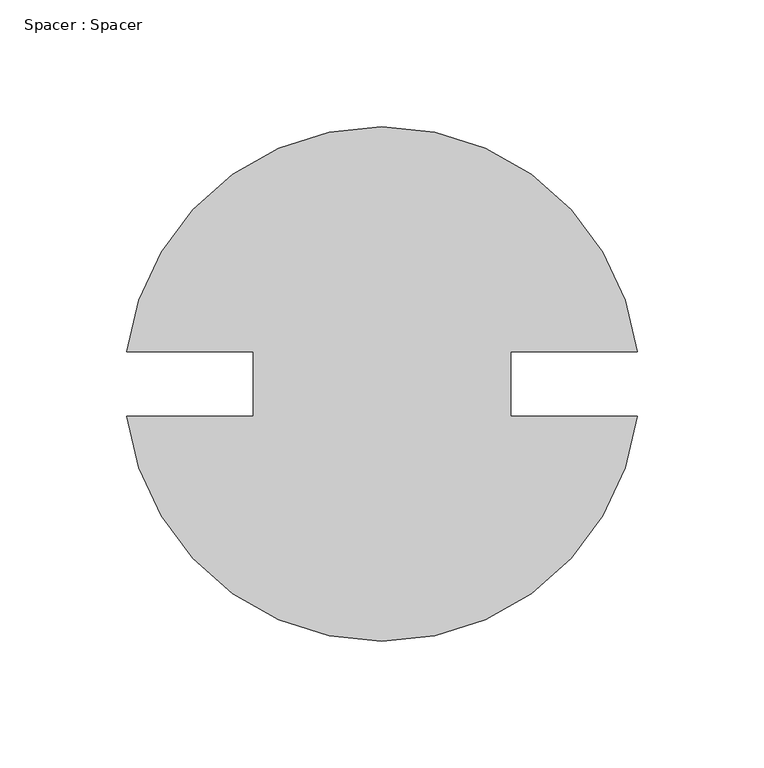
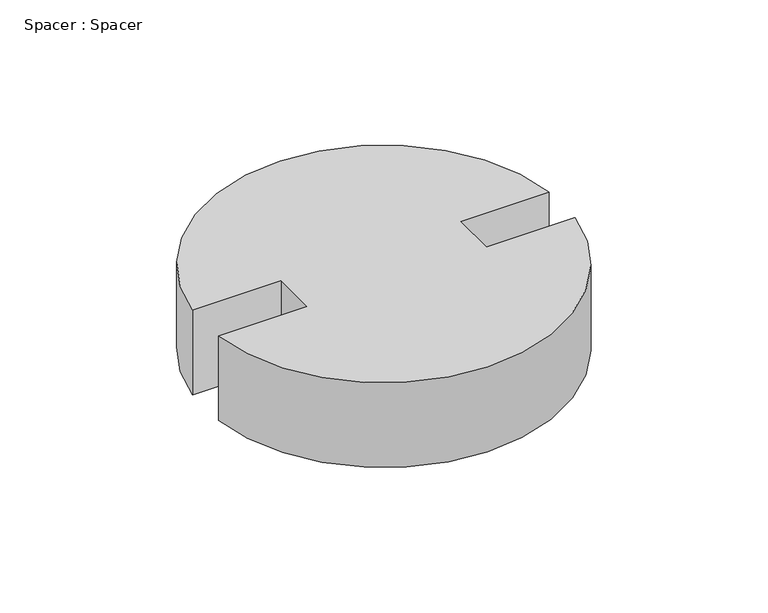
"""IFC4 building model written with IfcOpenShell, lengths in millimetres: furniture geometry, Spacer : Spacer."""

import ifcopenshell
import ifcopenshell.guid

model = None  # the IFC model being written
_history = None  # IfcOwnerHistory: only IFC2X3 demands one
_inside = {}  # id of a spatial element -> (the spatial element, [elements in it])
_under = {}  # id of a project, library or spatial element -> (it, [spatial elements below it])
_declared = {}  # id of a project -> (the project, [libraries it declares])
_typed = {}  # id of a type object -> (the type object, [elements of that type])
_made_of = {}  # id of a material, layer set ... -> (it, [elements and type objects made of it])


def new_model(schema):
    """Start an empty IFC model of exactly this schema.

    Asked for "IFC4X3", IfcOpenShell would pick the latest addendum, in which some entities
    have other attributes; the version numbers below select the first issue.
    IFC2X3 requires an IfcOwnerHistory on every rooted entity: one is made here for all.
    """
    global model, _history
    if schema == "IFC4X3":
        model = ifcopenshell.file(schema_version=(4, 3, 0, 0))
    else:
        model = ifcopenshell.file(schema=schema)
    _inside.clear()
    _under.clear()
    _declared.clear()
    _typed.clear()
    _made_of.clear()
    _history = None
    if model.schema == "IFC2X3":
        org = make("IfcOrganization", Name="unknown")
        user = make(
            "IfcPersonAndOrganization",
            ThePerson=make("IfcPerson", FamilyName="unknown"),
            TheOrganization=org,
        )
        app = make(
            "IfcApplication",
            ApplicationDeveloper=org,
            Version="unknown",
            ApplicationFullName="unknown",
            ApplicationIdentifier="unknown",
        )
        _history = make(
            "IfcOwnerHistory",
            OwningUser=user,
            OwningApplication=app,
            ChangeAction="ADDED",
            CreationDate=0,
        )
    return model


def make(cls, **values):
    """One entity of the class cls with the attributes given. An attribute that is None is left unset."""
    return model.create_entity(
        cls, **{name: value for name, value in values.items() if value is not None}
    )


def rooted(cls, **values):
    """An entity with a GlobalId (a new one), such as an element, a storey or a relation."""
    return make(cls, GlobalId=ifcopenshell.guid.new(), OwnerHistory=_history, **values)


def si_unit(unit_type, name, prefix=None):
    """IfcSIUnit, for example si_unit("LENGTHUNIT", "METRE", prefix="MILLI")."""
    return make("IfcSIUnit", UnitType=unit_type, Prefix=prefix, Name=name)


def assignment(units):
    """IfcUnitAssignment: the units of a project."""
    return None if units is None else make("IfcUnitAssignment", Units=units)


def point(xyz):
    """IfcCartesianPoint."""
    return None if xyz is None else make("IfcCartesianPoint", Coordinates=xyz)


def direction(xyz):
    """IfcDirection."""
    return None if xyz is None else make("IfcDirection", DirectionRatios=xyz)


def frame(location, z_axis=None, x_axis=None):
    """IfcAxis2Placement3D, a coordinate frame: its origin and axes. An axis left out is left unset."""
    return make(
        "IfcAxis2Placement3D",
        Location=point(location),
        Axis=direction(z_axis),
        RefDirection=direction(x_axis),
    )


def frame_2d(location, x_axis=None):
    """IfcAxis2Placement2D, a coordinate frame in the plane: its origin and x axis."""
    return make(
        "IfcAxis2Placement2D", Location=point(location), RefDirection=direction(x_axis)
    )


def origin():
    """The frame at (0, 0, 0) with its axes left unset."""
    return frame((0.0, 0.0, 0.0))


def origin_with_axes():
    """The frame at (0, 0, 0) with the z axis (0, 0, 1) and the x axis (1, 0, 0) written out."""
    return frame((0.0, 0.0, 0.0), z_axis=(0.0, 0.0, 1.0), x_axis=(1.0, 0.0, 0.0))


def origin_2d():
    """The frame at (0, 0) in the plane with its x axis left unset."""
    return frame_2d((0.0, 0.0))


def place(relative_to, where):
    """IfcLocalPlacement: puts the frame where relative to a parent placement (None: the world)."""
    return make(
        "IfcLocalPlacement", PlacementRelTo=relative_to, RelativePlacement=where
    )


def context(
    kind, dimensions, precision=None, world=None, true_north=None, identifier=None
):
    """IfcGeometricRepresentationContext, for example the 3D "Model" context."""
    return make(
        "IfcGeometricRepresentationContext",
        ContextIdentifier=identifier,
        ContextType=kind,
        CoordinateSpaceDimension=dimensions,
        Precision=precision,
        WorldCoordinateSystem=world,
        TrueNorth=true_north,
    )


def project(units=None, contexts=None):
    """IfcProject with its units and contexts."""
    return rooted(
        "IfcProject",
        Name="project",
        RepresentationContexts=contexts,
        UnitsInContext=assignment(units),
    )


def spatial(cls, under=None, at=None, **own):
    """A site, building, storey or space (cls), placed at a placement, below another one or the project."""
    s = rooted(cls, ObjectPlacement=at, **own)
    if under is not None:
        _under.setdefault(under.id(), (under, []))[1].append(s)
    return s


def polyline(points):
    """IfcPolyline through the points."""
    return make("IfcPolyline", Points=[point(p) for p in points])


def circle_curve(where, radius):
    """IfcCircle in the frame where."""
    return make("IfcCircle", Position=where, Radius=radius)


def trimmed(basis, trim1, trim2, sense, master):
    """IfcTrimmedCurve: the piece of a basis curve between two trims."""
    return make(
        "IfcTrimmedCurve",
        BasisCurve=basis,
        Trim1=trim1,
        Trim2=trim2,
        SenseAgreement=sense,
        MasterRepresentation=master,
    )


def segment(curve, same_sense, transition):
    """IfcCompositeCurveSegment."""
    return make(
        "IfcCompositeCurveSegment",
        Transition=transition,
        SameSense=same_sense,
        ParentCurve=curve,
    )


def composite_curve(segments, self_intersect=None):
    """IfcCompositeCurve: segments joined end to end."""
    return make("IfcCompositeCurve", Segments=segments, SelfIntersect=self_intersect)


def outline(outer, holes=None, kind="AREA"):
    """IfcArbitraryClosedProfileDef: a profile drawn as a closed curve; with holes, ...WithVoids."""
    if holes is None:
        return make("IfcArbitraryClosedProfileDef", ProfileType=kind, OuterCurve=outer)
    return make(
        "IfcArbitraryProfileDefWithVoids",
        ProfileType=kind,
        OuterCurve=outer,
        InnerCurves=holes,
    )


def extrude(swept, where, along, depth):
    """IfcExtrudedAreaSolid: the profile swept, set in the frame where, extruded along a direction by depth."""
    return make(
        "IfcExtrudedAreaSolid",
        SweptArea=swept,
        Position=where,
        ExtrudedDirection=direction(along),
        Depth=depth,
    )


def shape(context_of_items, identifier, shape_type, items):
    """IfcShapeRepresentation: the items that make up one representation, for example the "Body"."""
    return make(
        "IfcShapeRepresentation",
        ContextOfItems=context_of_items,
        RepresentationIdentifier=identifier,
        RepresentationType=shape_type,
        Items=items,
    )


def source(mapping_origin, context_of_items, identifier, shape_type, items):
    """IfcRepresentationMap: a shape defined once, which mapped items show again and again."""
    return make(
        "IfcRepresentationMap",
        MappingOrigin=mapping_origin,
        MappedRepresentation=shape(context_of_items, identifier, shape_type, items),
    )


def transform(
    local_origin,
    x_axis=None,
    y_axis=None,
    z_axis=None,
    scale=None,
    scale2=None,
    scale3=None,
    uniform=True,
):
    """IfcCartesianTransformationOperator3D, or its non-uniform kind. x_axis, y_axis, z_axis: its Axis1, 2, 3."""
    if uniform:
        return make(
            "IfcCartesianTransformationOperator3D",
            Axis1=direction(x_axis),
            Axis2=direction(y_axis),
            LocalOrigin=point(local_origin),
            Scale=scale,
            Axis3=direction(z_axis),
        )
    return make(
        "IfcCartesianTransformationOperator3DnonUniform",
        Axis1=direction(x_axis),
        Axis2=direction(y_axis),
        LocalOrigin=point(local_origin),
        Scale=scale,
        Axis3=direction(z_axis),
        Scale2=scale2,
        Scale3=scale3,
    )


def mapped(mapping_source, mapping_target):
    """IfcMappedItem: shows the shape of a source again, moved by a transform."""
    return make(
        "IfcMappedItem", MappingSource=mapping_source, MappingTarget=mapping_target
    )


def made_of(thing, what):
    """Note that an element or type object is made of a material, layer set ...; save() writes the relation."""
    if what is not None:
        _made_of.setdefault(what.id(), (what, []))[1].append(thing)
    return thing


def element(
    cls,
    number,
    at=None,
    inside=None,
    cuts=None,
    type_object=None,
    material=None,
    context=None,
    identifier="Body",
    shape_type=None,
    held_by="IfcProductDefinitionShape",
    body=None,
    shapes=None,
    **own,
):
    """One element of the class cls, such as IfcWall. Its Tag is "e" and its number.

    at: its placement. inside: the storey or other place that contains it. cuts: it is an
    opening in that element (IfcRelVoidsElement). A single representation is given by context,
    identifier, shape_type and body (its items); several are given by shapes. held_by: the class
    of the entity that holds the representations. save() writes the other relations.
    """
    e = rooted(cls, Tag="e%d" % number, ObjectPlacement=at, **own)
    if body is not None:
        shapes = [shape(context, identifier, shape_type, body)]
    if shapes is not None:
        e.Representation = make(held_by, Representations=shapes)
    if inside is not None:
        _inside.setdefault(inside.id(), (inside, []))[1].append(e)
    if cuts is not None:
        rooted(
            "IfcRelVoidsElement", RelatingBuildingElement=cuts, RelatedOpeningElement=e
        )
    if type_object is not None:
        _typed.setdefault(type_object.id(), (type_object, []))[1].append(e)
    return made_of(e, material)


def aggregate(whole, parts):
    """IfcRelAggregates: a whole, such as a stair, and the parts it consists of."""
    return rooted("IfcRelAggregates", RelatingObject=whole, RelatedObjects=parts)


def save(model, path):
    """Write the relations noted so far, then the file.

    IfcRelAggregates (storeys below a building ...), IfcRelContainedInSpatialStructure (elements
    in a storey), IfcRelDefinesByType, IfcRelAssociatesMaterial and IfcRelDeclares: one each for
    every whole, place, type object, material and project.
    """
    for whole, parts in _under.values():
        aggregate(whole, parts)
    for where, things in _inside.values():
        rooted(
            "IfcRelContainedInSpatialStructure",
            RelatedElements=things,
            RelatingStructure=where,
        )
    for kind, things in _typed.values():
        rooted("IfcRelDefinesByType", RelatedObjects=things, RelatingType=kind)
    for what, things in _made_of.values():
        rooted("IfcRelAssociatesMaterial", RelatedObjects=things, RelatingMaterial=what)
    for by, libraries in _declared.values():
        rooted("IfcRelDeclares", RelatingContext=by, RelatedDefinitions=libraries)
    model.write(path)


def spacer_spacer_4aab492f(model_context):
    return source(origin(), model_context, "Body", "SweptSolid", [
        extrude(outline(composite_curve([segment(trimmed(circle_curve(origin_2d(), 101.6), [point((100.803125, -12.7))], [point((-100.803125, -12.7))], False, "CARTESIAN"), True, "CONTINUOUS"), segment(polyline([(-100.803125, -12.7), (-50.8, -12.7), (-50.8, 12.7), (-100.803125, 12.7)]), True, "CONTINUOUS"), segment(trimmed(circle_curve(origin_2d(), 101.6), [point((-100.803125, 12.7))], [point((100.803125, 12.7))], False, "CARTESIAN"), True, "CONTINUOUS"), segment(polyline([(100.803125, 12.7), (50.8, 12.7), (50.8, -12.7), (100.803125, -12.7)]), True, "CONTINUOUS")], self_intersect=False)), origin_with_axes(), (0.0, 0.0, 1.0), 50.8),
    ])


if __name__ == "__main__":
    model = new_model("IFC4")
    model_context = context("Model", 3, world=origin())
    ifc_project = project(units=[si_unit("LENGTHUNIT", "METRE", prefix="MILLI")], contexts=[model_context])
    site = spatial("IfcSite", under=ifc_project)
    building = spatial("IfcBuilding", under=site)
    placement = place(None, origin())
    spacer_spacer_shape = spacer_spacer_4aab492f(model_context)
    element("IfcFurniture", 1, ObjectType="Spacer : Spacer", at=placement, inside=building, context=model_context, shape_type="MappedRepresentation", body=[
        mapped(spacer_spacer_shape, transform((0.0, 0.0, 0.0), x_axis=(1.0, 0.0, 0.0), y_axis=(0.0, 1.0, 0.0), z_axis=(0.0, 0.0, 1.0))),
    ])
    save(model, "model.ifc")
